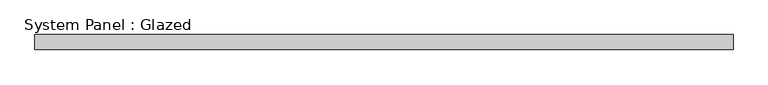
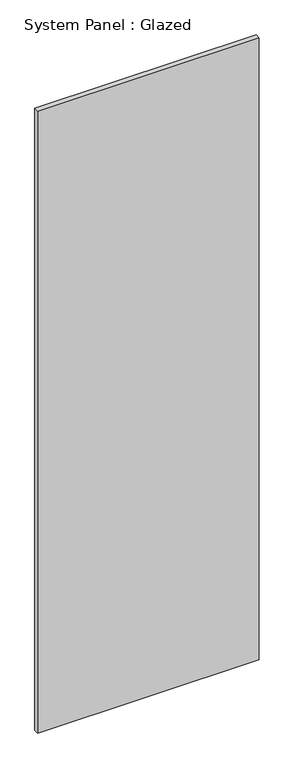
"""IFC4 building model written with IfcOpenShell, lengths in millimetres: plate geometry, System Panel : Glazed."""

from ifc_helpers import new_model, si_unit, origin, origin_with_axes, place, context, project, spatial, polyline, outline, extrude, source, transform, mapped, element, save


def system_panel_glazed_48419687(model_context):
    return source(origin(), model_context, "Body", "SweptSolid", [
        extrude(outline(polyline([(590.55, -44.45), (-590.55, -44.45), (-590.55, -19.05), (590.55, -19.05), (590.55, -44.45)])), origin_with_axes(), (0.0, 0.0, 1.0), 3505.2),
    ])


if __name__ == "__main__":
    model = new_model("IFC4")
    model_context = context("Model", 3, world=origin())
    ifc_project = project(units=[si_unit("LENGTHUNIT", "METRE", prefix="MILLI")], contexts=[model_context])
    site = spatial("IfcSite", under=ifc_project)
    building = spatial("IfcBuilding", under=site)
    placement = place(None, origin())
    system_panel_glazed_shape = system_panel_glazed_48419687(model_context)
    element("IfcPlate", 1, ObjectType="System Panel : Glazed", at=placement, inside=building, context=model_context, shape_type="MappedRepresentation", body=[
        mapped(system_panel_glazed_shape, transform((0.0, 0.0, 0.0), x_axis=(1.0, 0.0, 0.0), y_axis=(0.0, 1.0, 0.0), z_axis=(0.0, 0.0, 1.0))),
    ])
    save(model, "model.ifc")
